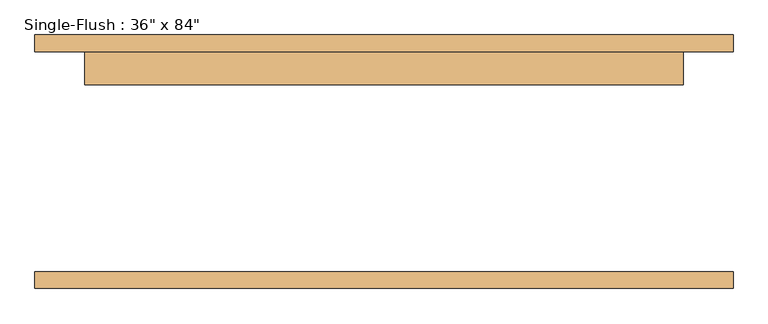
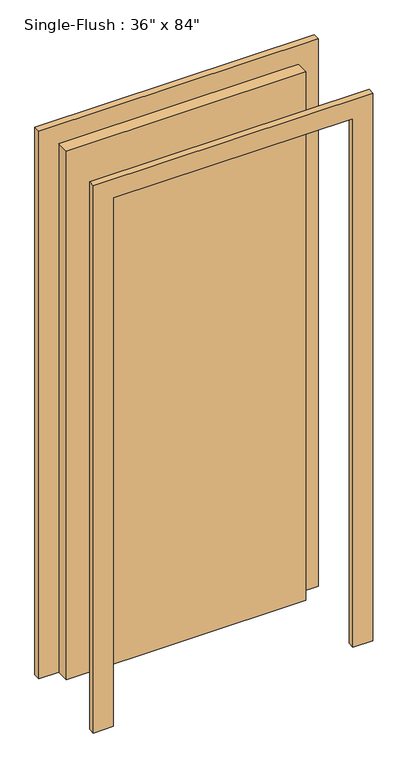
"""IFC4 building model written with IfcOpenShell, lengths in millimetres: door geometry."""

from ifc_helpers import new_model, si_unit, frame, origin, origin_with_axes, place, context, project, spatial, polyline, outline, extrude, source, transform, mapped, element, save


def door_cd2f8df1(model_context):
    return source(origin(), model_context, "Body", "SweptSolid", [
        extrude(outline(polyline([(2209.8, -533.4), (0.0, -533.4), (0.0, -457.2), (2133.6, -457.2), (2133.6, 457.2), (0.0, 457.2), (0.0, 533.4), (2209.8, 533.4), (2209.8, -533.4)])), frame((0.0, 168.275, 0.0), z_axis=(0.0, 1.0, 0.0), x_axis=(0.0, 0.0, 1.0)), (0.0, 0.0, 1.0), 25.4),
        extrude(outline(polyline([(2209.8, 533.4), (2209.8, -533.4), (0.0, -533.4), (0.0, -457.2), (2133.6, -457.2), (2133.6, 457.2), (0.0, 457.2), (0.0, 533.4), (2209.8, 533.4)])), frame((0.0, -193.675, 0.0), z_axis=(0.0, 1.0, 0.0), x_axis=(0.0, 0.0, 1.0)), (0.0, 0.0, 1.0), 25.4),
        extrude(outline(polyline([(457.2, 117.475), (-457.2, 117.475), (-457.2, 168.275), (457.2, 168.275), (457.2, 117.475)])), origin_with_axes(), (0.0, 0.0, 1.0), 2133.6),
    ])


if __name__ == "__main__":
    model = new_model("IFC4")
    model_context = context("Model", 3, world=origin())
    ifc_project = project(units=[si_unit("LENGTHUNIT", "METRE", prefix="MILLI")], contexts=[model_context])
    site = spatial("IfcSite", under=ifc_project)
    building = spatial("IfcBuilding", under=site)
    placement = place(None, origin())
    door_shape = door_cd2f8df1(model_context)
    element("IfcDoor", 1, ObjectType="Single-Flush : 36\" x 84\"", at=placement, inside=building, context=model_context, shape_type="MappedRepresentation", body=[
        mapped(door_shape, transform((0.0, 0.0, 0.0), x_axis=(1.0, 0.0, 0.0), y_axis=(0.0, 1.0, 0.0), z_axis=(0.0, 0.0, 1.0))),
    ])
    save(model, "model.ifc")
